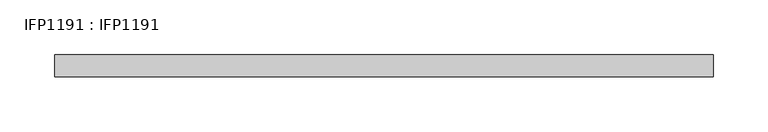
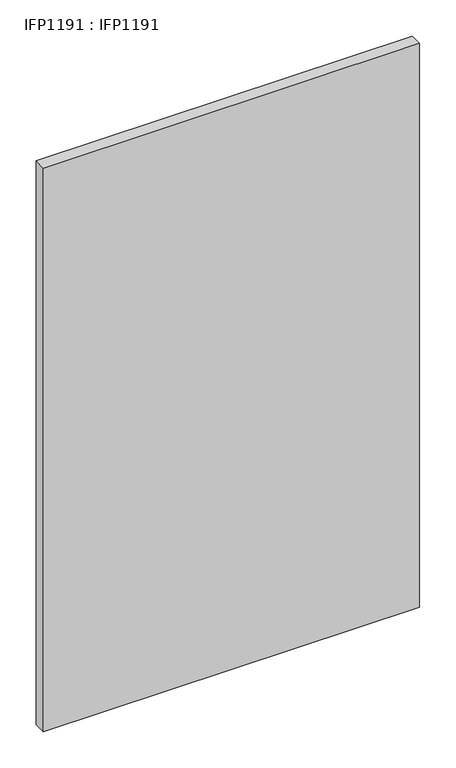
"""IFC4 building model written with IfcOpenShell, lengths in millimetres: proxy geometry, IFP1191 : IFP1191."""

from ifc_helpers import new_model, si_unit, origin, origin_with_axes, place, context, project, spatial, polyline, outline, extrude, source, transform, mapped, element, save


def ifp1191_ifp1191_2e864448(model_context):
    return source(origin(), model_context, "Body", "SweptSolid", [
        extrude(outline(polyline([(600.0, 0.0), (600.0, -20.0), (0.0, -20.0), (0.0, 0.0), (600.0, 0.0)])), origin_with_axes(), (0.0, 0.0, 1.0), 950.0),
    ])


if __name__ == "__main__":
    model = new_model("IFC4")
    model_context = context("Model", 3, world=origin())
    ifc_project = project(units=[si_unit("LENGTHUNIT", "METRE", prefix="MILLI")], contexts=[model_context])
    site = spatial("IfcSite", under=ifc_project)
    building = spatial("IfcBuilding", under=site)
    placement = place(None, origin())
    ifp1191_ifp1191_shape = ifp1191_ifp1191_2e864448(model_context)
    element("IfcBuildingElementProxy", 1, Name="IFP1191 : IFP1191", ObjectType="IFP1191 : IFP1191", at=placement, inside=building, context=model_context, shape_type="MappedRepresentation", body=[
        mapped(ifp1191_ifp1191_shape, transform((0.0, 0.0, 0.0), x_axis=(1.0, 0.0, 0.0), y_axis=(0.0, 1.0, 0.0), z_axis=(0.0, 0.0, 1.0))),
    ])
    save(model, "model.ifc")
